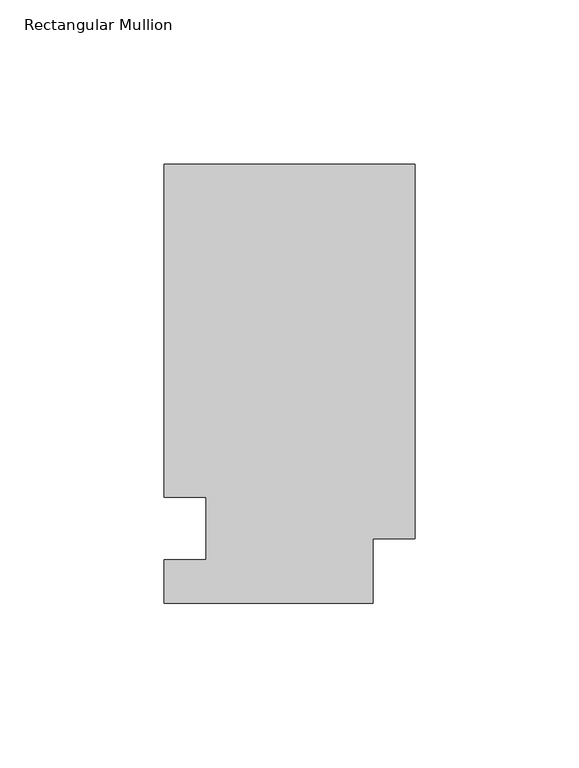
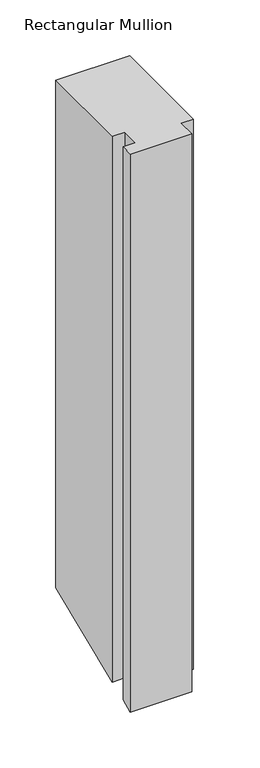
"""IFC4 building model written with IfcOpenShell, lengths in millimetres: member geometry, Rectangular Mullion."""

from ifc_helpers import new_model, si_unit, origin, place, context, project, spatial, faceted_brep, source, transform, mapped, element, save


def rectangular_mullion_8678f617(model_context):
    return source(origin(), model_context, "Body", "Brep", [
        faceted_brep([(0.0, 133.4396938, 0.0), (-76.2, 133.4396938, 0.0), (-76.2, 32.2460937, 0.0), (-63.5, 32.2460938, 0.0), (-63.5, 13.1960937, 0.0), (-76.2, 13.1960937, 0.0), (-76.2, 0.0134937, 0.0), (-12.7, 0.0134937, 0.0), (-12.7, 19.5460937, 0.0), (0.0, 19.5460937, 0.0), (0.0, 133.4396938, -554.3274691), (-76.2, 133.4396938, -554.3274691), (-76.2, 32.2460937, -596.2432306), (-63.5, 32.2460937, -596.2432306), (-63.5, 13.1960937, -604.133999), (-76.2, 13.1960937, -604.133999), (-76.2, 0.0134937, -609.5944107), (-12.7, 0.0134937, -609.5944107), (-12.7, 19.5460937, -601.5037429), (0.0, 19.5460937, -601.5037429)], [[[0, 1, 2, 3, 4, 5, 6, 7, 8, 9]], [[1, 0, 10, 11]], [[2, 1, 11, 12]], [[3, 2, 12, 13]], [[4, 3, 13, 14]], [[5, 4, 14, 15]], [[6, 5, 15, 16]], [[7, 6, 16, 17]], [[8, 7, 17, 18]], [[9, 8, 18, 19]], [[0, 9, 19, 10]], [[10, 19, 18, 17, 16, 15, 14, 13, 12, 11]]]),
    ])


if __name__ == "__main__":
    model = new_model("IFC4")
    model_context = context("Model", 3, world=origin())
    ifc_project = project(units=[si_unit("LENGTHUNIT", "METRE", prefix="MILLI")], contexts=[model_context])
    site = spatial("IfcSite", under=ifc_project)
    building = spatial("IfcBuilding", under=site)
    placement = place(None, origin())
    rectangular_mullion_shape = rectangular_mullion_8678f617(model_context)
    element("IfcMember", 1, ObjectType="Rectangular Mullion", at=placement, inside=building, context=model_context, shape_type="MappedRepresentation", body=[
        mapped(rectangular_mullion_shape, transform((0.0, 0.0, 0.0), x_axis=(1.0, 0.0, 0.0), y_axis=(0.0, 1.0, 0.0), z_axis=(0.0, 0.0, 1.0))),
    ])
    save(model, "model.ifc")
